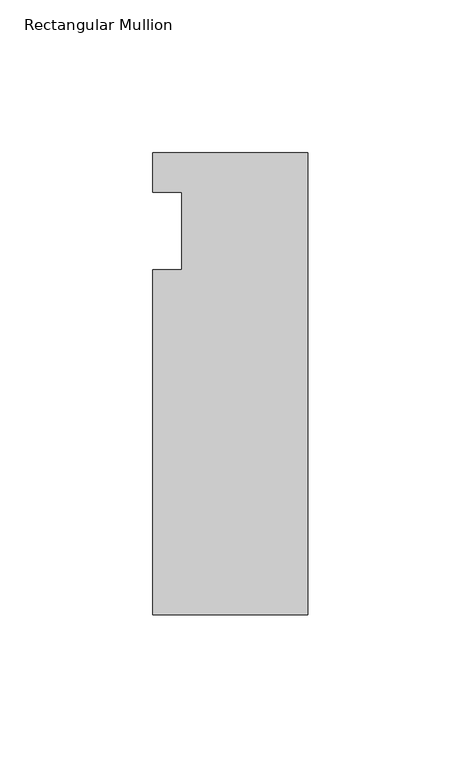
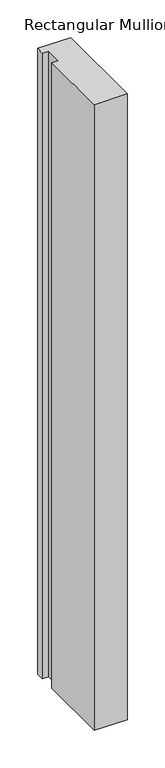
"""IFC4 building model written with IfcOpenShell, lengths in millimetres: member geometry, Rectangular Mullion."""

from ifc_helpers import new_model, si_unit, frame, origin, place, context, project, spatial, polyline, outline, extrude, source, transform, mapped, element, save


def rectangular_mullion_defe67a8(model_context):
    return source(origin(), model_context, "Body", "SweptSolid", [
        extrude(outline(polyline([(-50.8, 25.5984375), (0.0, 25.5984375), (0.0, -125.6109375), (-50.8, -125.6109375), (-50.8, -12.7), (-41.275, -12.7), (-41.275, 12.7), (-50.8, 12.7), (-50.8, 25.5984375)])), frame((0.0, 0.0, -1017.16492), z_axis=(0.0, 0.0, 1.0), x_axis=(1.0, 0.0, 0.0)), (0.0, 0.0, 1.0), 1017.16492),
    ])


if __name__ == "__main__":
    model = new_model("IFC4")
    model_context = context("Model", 3, world=origin())
    ifc_project = project(units=[si_unit("LENGTHUNIT", "METRE", prefix="MILLI")], contexts=[model_context])
    site = spatial("IfcSite", under=ifc_project)
    building = spatial("IfcBuilding", under=site)
    placement = place(None, origin())
    rectangular_mullion_shape = rectangular_mullion_defe67a8(model_context)
    element("IfcMember", 1, ObjectType="Rectangular Mullion", at=placement, inside=building, context=model_context, shape_type="MappedRepresentation", body=[
        mapped(rectangular_mullion_shape, transform((0.0, 0.0, 0.0), x_axis=(1.0, 0.0, 0.0), y_axis=(0.0, 1.0, 0.0), z_axis=(0.0, 0.0, 1.0))),
    ])
    save(model, "model.ifc")
